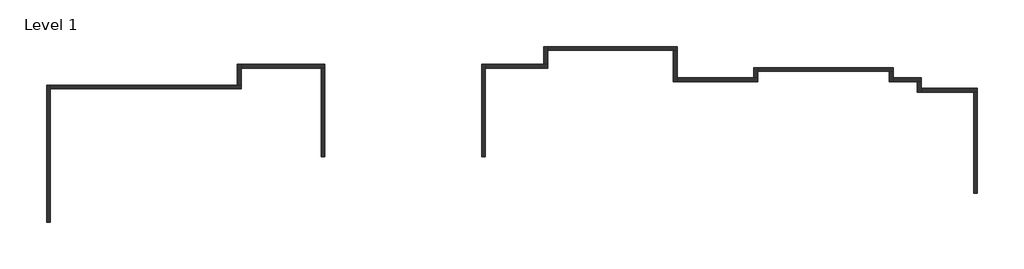
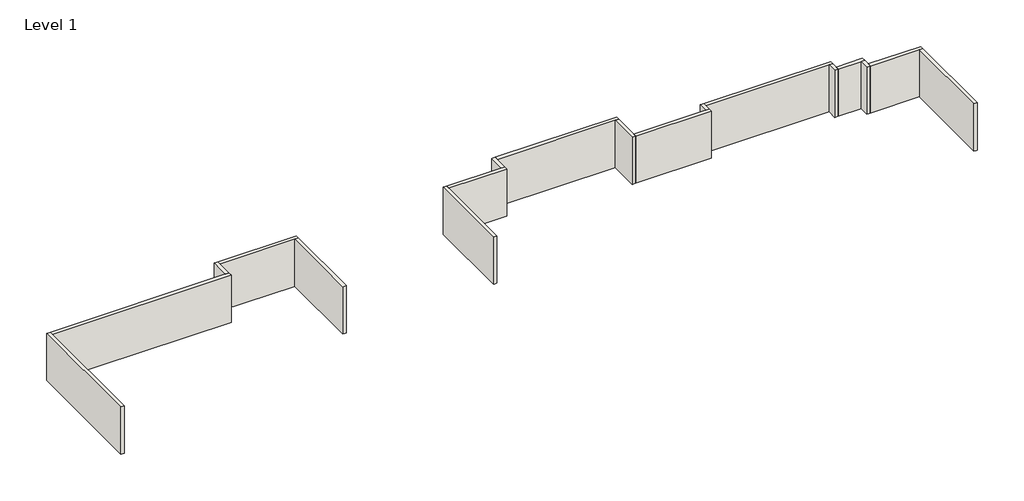
# One storey: 18 walls.
"""IFC4 building model written with IfcOpenShell, lengths in millimetres."""

from ifc_helpers import new_model, si_unit, frame, origin, place, context, project, spatial, polyline, outline, extrude, faceted_brep, element, save

model = new_model("IFC4")

# Units and contexts
model_context = context("Model", 3, world=origin())
ifc_project = project(units=[si_unit("LENGTHUNIT", "METRE", prefix="MILLI")], contexts=[model_context])

# Site, building, storey
site = spatial("IfcSite", under=ifc_project)
building = spatial("IfcBuilding", under=site)
storey = spatial("IfcBuildingStorey", under=building, Name="Level 1", Elevation=0.0)

# Walls
placement = place(None, origin())
element("IfcWall", 1, ObjectType="Ext- Wd Stud 2x6 (Brick Veneer /gyp)", at=placement, inside=storey, context=model_context, shape_type="Brep", body=[
    faceted_brep([(-36170.4285406, 11623.5243667, 0.0), (-36170.4285406, 20788.1618667, 0.0), (-36170.4285406, 21045.3368667, 0.0), (-36170.4285406, 21045.3368667, 3657.6), (-36170.4285406, 20788.1618667, 3657.6), (-36170.4285406, 11623.5243667, 3657.6), (-36427.6035406, 11623.5243667, 0.0), (-36427.6035406, 11623.5243667, 3657.6), (-36427.6035406, 21045.3368667, 3657.6), (-36427.6035406, 21045.3368667, 0.0), (-36326.0035406, 11623.5243667, 0.0), (-36326.0035406, 21045.3368667, 0.0)], [[[0, 1, 2, 3, 4, 5]], [[6, 7, 8, 9]], [[5, 4, 3, 8, 7]], [[0, 5, 7, 6, 10]], [[2, 1, 0, 10, 11]], [[10, 6, 9, 11]], [[3, 2, 11, 9, 8]]]),
])
element("IfcWall", 2, ObjectType="Ext- Wd Stud 2x6 (Brick Veneer /gyp)", at=placement, inside=storey, context=model_context, shape_type="Brep", body=[
    faceted_brep([(-36170.4285406, 20788.1618667, 0.0), (-23064.0285406, 20788.1618667, 0.0), (-23064.0285406, 20788.1618667, 3657.6), (-36170.4285406, 20788.1618667, 3657.6), (-36170.4285406, 21045.3368667, 0.0), (-36170.4285406, 21045.3368667, 3657.6), (-23321.2035406, 21045.3368667, 3657.6), (-23064.0285406, 21045.3368667, 3657.6), (-23064.0285406, 21045.3368667, 0.0), (-23321.2035406, 21045.3368667, 0.0), (-36170.4285406, 20943.7368667, 0.0), (-23064.0285406, 20943.7368667, 0.0)], [[[0, 1, 2, 3]], [[4, 5, 6, 7, 8, 9]], [[3, 2, 7, 6, 5]], [[1, 0, 10, 11]], [[0, 3, 5, 4, 10]], [[10, 4, 9, 8, 11]], [[2, 1, 11, 8, 7]]]),
])
element("IfcWall", 3, ObjectType="Ext- Wd Stud 2x6 (Brick Veneer /gyp)", at=placement, inside=storey, context=model_context, shape_type="Brep", body=[
    faceted_brep([(-23064.0285406, 21045.3368667, 0.0), (-23064.0285406, 22210.5618667, 0.0), (-23064.0285406, 22467.7368667, 0.0), (-23064.0285406, 22467.7368667, 3657.6), (-23064.0285406, 22210.5618667, 3657.6), (-23064.0285406, 21045.3368667, 3657.6), (-23321.2035406, 21045.3368667, 0.0), (-23321.2035406, 21045.3368667, 3657.6), (-23321.2035406, 22467.7368667, 3657.6), (-23321.2035406, 22467.7368667, 0.0), (-23219.6035406, 21045.3368667, 0.0), (-23219.6035406, 22467.7368667, 0.0)], [[[0, 1, 2, 3, 4, 5]], [[6, 7, 8, 9]], [[5, 4, 3, 8, 7]], [[2, 1, 0, 10, 11]], [[0, 5, 7, 6, 10]], [[10, 6, 9, 11]], [[3, 2, 11, 9, 8]]]),
])
element("IfcWall", 4, ObjectType="Ext- Wd Stud 2x6 (Brick Veneer /gyp)", at=placement, inside=storey, context=model_context, shape_type="Brep", body=[
    faceted_brep([(-23064.0285406, 22210.5618667, 0.0), (-17583.9785406, 22210.5618667, 0.0), (-17326.8035406, 22210.5618667, 0.0), (-17326.8035406, 22210.5618667, 3657.6), (-17583.9785406, 22210.5618667, 3657.6), (-23064.0285406, 22210.5618667, 3657.6), (-23064.0285406, 22467.7368667, 0.0), (-23064.0285406, 22467.7368667, 3657.6), (-17326.8035406, 22467.7368667, 3657.6), (-17326.8035406, 22467.7368667, 0.0), (-23064.0285406, 22366.1368667, 0.0), (-17326.8035406, 22366.1368667, 0.0)], [[[0, 1, 2, 3, 4, 5]], [[6, 7, 8, 9]], [[5, 4, 3, 8, 7]], [[2, 1, 0, 10, 11]], [[0, 5, 7, 6, 10]], [[10, 6, 9, 11]], [[3, 2, 11, 9, 8]]]),
])
element("IfcWall", 5, ObjectType="Ext- Wd Stud 2x6 (Brick Veneer /gyp)", at=placement, inside=storey, context=model_context, shape_type="SweptSolid", body=[
    extrude(outline(polyline([(3657.6, -17583.9785406), (0.0, -17583.9785406), (0.0, -17428.4035406), (0.0, -17326.8035406), (3657.6, -17326.8035406), (3657.6, -17583.9785406)])), frame((0.0, 16116.1493667, 0.0), z_axis=(0.0, 1.0, 0.0), x_axis=(0.0, 0.0, 1.0)), (0.0, 0.0, 1.0), 6094.4125),
])
element("IfcWall", 6, ObjectType="Ext- Wd Stud 2x6 (Brick Veneer /gyp)", at=placement, inside=storey, context=model_context, shape_type="Brep", body=[
    faceted_brep([(-6300.0004447, 16116.1493667, 0.0), (-6300.0004447, 22210.5618667, 0.0), (-6300.0004447, 22467.7368667, 0.0), (-6300.0004447, 22467.7368667, 3657.6), (-6300.0004447, 22210.5618667, 3657.6), (-6300.0004447, 16116.1493667, 3657.6), (-6557.1754447, 16116.1493667, 0.0), (-6557.1754447, 16116.1493667, 3657.6), (-6557.1754447, 22467.7368667, 3657.6), (-6557.1754447, 22467.7368667, 0.0), (-6455.5754447, 16116.1493667, 0.0), (-6455.5754447, 22467.7368667, 0.0)], [[[0, 1, 2, 3, 4, 5]], [[6, 7, 8, 9]], [[5, 4, 3, 8, 7]], [[0, 5, 7, 6, 10]], [[2, 1, 0, 10, 11]], [[10, 6, 9, 11]], [[3, 2, 11, 9, 8]]]),
])
element("IfcWall", 7, ObjectType="Ext- Wd Stud 2x6 (Brick Veneer /gyp)", at=placement, inside=storey, context=model_context, shape_type="Brep", body=[
    faceted_brep([(-6300.0004447, 22210.5618667, 0.0), (-2032.7764591, 22210.5618667, 0.0), (-2032.7764591, 22210.5618667, 3657.6), (-6300.0004447, 22210.5618667, 3657.6), (-6300.0004447, 22467.7368667, 0.0), (-6300.0004447, 22467.7368667, 3657.6), (-2289.9514591, 22467.7368667, 3657.6), (-2032.7764591, 22467.7368667, 3657.6), (-2032.7764591, 22467.7368667, 0.0), (-2289.9514591, 22467.7368667, 0.0), (-6300.0004447, 22366.1368667, 0.0), (-2032.7764591, 22366.1368667, 0.0)], [[[0, 1, 2, 3]], [[4, 5, 6, 7, 8, 9]], [[3, 2, 7, 6, 5]], [[1, 0, 10, 11]], [[0, 3, 5, 4, 10]], [[10, 4, 9, 8, 11]], [[2, 1, 11, 8, 7]]]),
])
element("IfcWall", 8, ObjectType="Ext- Wd Stud 2x6 (Brick Veneer /gyp)", at=placement, inside=storey, context=model_context, shape_type="Brep", body=[
    faceted_brep([(-2032.7764591, 22467.7368667, 0.0), (-2032.7764591, 23429.7618667, 0.0), (-2032.7764591, 23686.9368667, 0.0), (-2032.7764591, 23686.9368667, 3657.6), (-2032.7764591, 23429.7618667, 3657.6), (-2032.7764591, 22467.7368667, 3657.6), (-2289.9514591, 22467.7368667, 0.0), (-2289.9514591, 22467.7368667, 3657.6), (-2289.9514591, 23686.9368667, 3657.6), (-2289.9514591, 23686.9368667, 0.0), (-2188.3514591, 22467.7368667, 0.0), (-2188.3514591, 23686.9368667, 0.0)], [[[0, 1, 2, 3, 4, 5]], [[6, 7, 8, 9]], [[5, 4, 3, 8, 7]], [[2, 1, 0, 10, 11]], [[0, 5, 7, 6, 10]], [[10, 6, 9, 11]], [[3, 2, 11, 9, 8]]]),
])
element("IfcWall", 9, ObjectType="Ext- Wd Stud 2x6 (Brick Veneer /gyp)", at=placement, inside=storey, context=model_context, shape_type="Brep", body=[
    faceted_brep([(-2032.7764591, 23429.7618667, 0.0), (6596.8735409, 23429.7618667, 0.0), (6854.0485409, 23429.7618667, 0.0), (6854.0485409, 23429.7618667, 3657.6), (6596.8735409, 23429.7618667, 3657.6), (-2032.7764591, 23429.7618667, 3657.6), (-2032.7764591, 23686.9368667, 0.0), (-2032.7764591, 23686.9368667, 3657.6), (6854.0485409, 23686.9368667, 3657.6), (6854.0485409, 23686.9368667, 0.0), (-2032.7764591, 23585.3368667, 0.0), (6854.0485409, 23585.3368667, 0.0)], [[[0, 1, 2, 3, 4, 5]], [[6, 7, 8, 9]], [[5, 4, 3, 8, 7]], [[2, 1, 0, 10, 11]], [[0, 5, 7, 6, 10]], [[10, 6, 9, 11]], [[3, 2, 11, 9, 8]]]),
])
element("IfcWall", 10, ObjectType="Ext- Wd Stud 2x6 (Brick Veneer /gyp)", at=placement, inside=storey, context=model_context, shape_type="Brep", body=[
    faceted_brep([(6596.8735409, 23429.7618667, 0.0), (6596.8735409, 21270.7618667, 0.0), (6596.8735409, 21270.7618667, 3657.6), (6596.8735409, 23429.7618667, 3657.6), (6854.0485409, 23429.7618667, 0.0), (6854.0485409, 23429.7618667, 3657.6), (6854.0485409, 21527.9368667, 3657.6), (6854.0485409, 21270.7618667, 3657.6), (6854.0485409, 21270.7618667, 0.0), (6854.0485409, 21527.9368667, 0.0), (6752.4485409, 23429.7618667, 0.0), (6752.4485409, 21270.7618667, 0.0)], [[[0, 1, 2, 3]], [[4, 5, 6, 7, 8, 9]], [[3, 2, 7, 6, 5]], [[1, 0, 10, 11]], [[0, 3, 5, 4, 10]], [[10, 4, 9, 8, 11]], [[2, 1, 11, 8, 7]]]),
])
element("IfcWall", 11, ObjectType="Ext- Wd Stud 2x6 (Brick Veneer /gyp)", at=placement, inside=storey, context=model_context, shape_type="Brep", body=[
    faceted_brep([(6854.0485409, 21270.7618667, 0.0), (12394.3714594, 21270.7618667, 0.0), (12394.3714594, 21270.7618667, 3657.6), (6854.0485409, 21270.7618667, 3657.6), (6854.0485409, 21527.9368667, 0.0), (6854.0485409, 21527.9368667, 3657.6), (12137.1964594, 21527.9368667, 3657.6), (12394.3714594, 21527.9368667, 3657.6), (12394.3714594, 21527.9368667, 0.0), (12137.1964594, 21527.9368667, 0.0), (6854.0485409, 21426.3368667, 0.0), (12394.3714594, 21426.3368667, 0.0)], [[[0, 1, 2, 3]], [[4, 5, 6, 7, 8, 9]], [[3, 2, 7, 6, 5]], [[1, 0, 10, 11]], [[0, 3, 5, 4, 10]], [[10, 4, 9, 8, 11]], [[2, 1, 11, 8, 7]]]),
])
element("IfcWall", 12, ObjectType="Ext- Wd Stud 2x6 (Brick Veneer /gyp)", at=placement, inside=storey, context=model_context, shape_type="Brep", body=[
    faceted_brep([(12394.3714594, 21527.9368667, 0.0), (12394.3714594, 21981.9618667, 0.0), (12394.3714594, 22239.1368667, 0.0), (12394.3714594, 22239.1368667, 3657.6), (12394.3714594, 21981.9618667, 3657.6), (12394.3714594, 21527.9368667, 3657.6), (12137.1964594, 21527.9368667, 0.0), (12137.1964594, 21527.9368667, 3657.6), (12137.1964594, 22239.1368667, 3657.6), (12137.1964594, 22239.1368667, 0.0), (12238.7964594, 21527.9368667, 0.0), (12238.7964594, 22239.1368667, 0.0)], [[[0, 1, 2, 3, 4, 5]], [[6, 7, 8, 9]], [[5, 4, 3, 8, 7]], [[2, 1, 0, 10, 11]], [[0, 5, 7, 6, 10]], [[10, 6, 9, 11]], [[3, 2, 11, 9, 8]]]),
])
element("IfcWall", 13, ObjectType="Ext- Wd Stud 2x6 (Brick Veneer /gyp)", at=placement, inside=storey, context=model_context, shape_type="Brep", body=[
    faceted_brep([(12394.3714594, 21981.9618667, 0.0), (21430.4214594, 21981.9618667, 0.0), (21687.5964594, 21981.9618667, 0.0), (21687.5964594, 21981.9618667, 3657.6), (21430.4214594, 21981.9618667, 3657.6), (12394.3714594, 21981.9618667, 3657.6), (12394.3714594, 22239.1368667, 0.0), (12394.3714594, 22239.1368667, 3657.6), (21687.5964594, 22239.1368667, 3657.6), (21687.5964594, 22239.1368667, 0.0), (12394.3714594, 22137.5368667, 0.0), (21687.5964594, 22137.5368667, 0.0)], [[[0, 1, 2, 3, 4, 5]], [[6, 7, 8, 9]], [[5, 4, 3, 8, 7]], [[2, 1, 0, 10, 11]], [[0, 5, 7, 6, 10]], [[10, 6, 9, 11]], [[3, 2, 11, 9, 8]]]),
])
element("IfcWall", 14, ObjectType="Ext- Wd Stud 2x6 (Brick Veneer /gyp)", at=placement, inside=storey, context=model_context, shape_type="Brep", body=[
    faceted_brep([(21430.4214594, 21981.9618667, 0.0), (21430.4214594, 21270.7618667, 0.0), (21430.4214594, 21270.7618667, 3657.6), (21430.4214594, 21981.9618667, 3657.6), (21687.5964594, 21981.9618667, 0.0), (21687.5964594, 21981.9618667, 3657.6), (21687.5964594, 21527.9368667, 3657.6), (21687.5964594, 21270.7618667, 3657.6), (21687.5964594, 21270.7618667, 0.0), (21687.5964594, 21527.9368667, 0.0), (21585.9964594, 21981.9618667, 0.0), (21585.9964594, 21270.7618667, 0.0)], [[[0, 1, 2, 3]], [[4, 5, 6, 7, 8, 9]], [[3, 2, 7, 6, 5]], [[1, 0, 10, 11]], [[0, 3, 5, 4, 10]], [[10, 4, 9, 8, 11]], [[2, 1, 11, 8, 7]]]),
])
element("IfcWall", 15, ObjectType="Ext- Wd Stud 2x6 (Brick Veneer /gyp)", at=placement, inside=storey, context=model_context, shape_type="Brep", body=[
    faceted_brep([(21687.5964594, 21270.7618667, 0.0), (23360.8214594, 21270.7618667, 0.0), (23617.9964594, 21270.7618667, 0.0), (23617.9964594, 21270.7618667, 3657.6), (23360.8214594, 21270.7618667, 3657.6), (21687.5964594, 21270.7618667, 3657.6), (21687.5964594, 21527.9368667, 0.0), (21687.5964594, 21527.9368667, 3657.6), (23617.9964594, 21527.9368667, 3657.6), (23617.9964594, 21527.9368667, 0.0), (21687.5964594, 21426.3368667, 0.0), (23617.9964594, 21426.3368667, 0.0)], [[[0, 1, 2, 3, 4, 5]], [[6, 7, 8, 9]], [[5, 4, 3, 8, 7]], [[2, 1, 0, 10, 11]], [[0, 5, 7, 6, 10]], [[10, 6, 9, 11]], [[3, 2, 11, 9, 8]]]),
])
element("IfcWall", 16, ObjectType="Ext- Wd Stud 2x6 (Brick Veneer /gyp)", at=placement, inside=storey, context=model_context, shape_type="Brep", body=[
    faceted_brep([(23360.8214594, 21270.7618667, 0.0), (23360.8214594, 20559.5618667, 0.0), (23360.8214594, 20559.5618667, 3657.6), (23360.8214594, 21270.7618667, 3657.6), (23617.9964594, 21270.7618667, 0.0), (23617.9964594, 21270.7618667, 3657.6), (23617.9964594, 20816.7368667, 3657.6), (23617.9964594, 20559.5618667, 3657.6), (23617.9964594, 20559.5618667, 0.0), (23617.9964594, 20816.7368667, 0.0), (23516.3964594, 21270.7618667, 0.0), (23516.3964594, 20559.5618667, 0.0)], [[[0, 1, 2, 3]], [[4, 5, 6, 7, 8, 9]], [[3, 2, 7, 6, 5]], [[1, 0, 10, 11]], [[0, 3, 5, 4, 10]], [[10, 4, 9, 8, 11]], [[2, 1, 11, 8, 7]]]),
])
element("IfcWall", 17, ObjectType="Ext- Wd Stud 2x6 (Brick Veneer /gyp)", at=placement, inside=storey, context=model_context, shape_type="Brep", body=[
    faceted_brep([(23617.9964594, 20559.5618667, 0.0), (27221.5800194, 20559.5618667, 0.0), (27478.7550194, 20559.5618667, 0.0), (27478.7550194, 20559.5618667, 3657.6), (27221.5800194, 20559.5618667, 3657.6), (23617.9964594, 20559.5618667, 3657.6), (23617.9964594, 20816.7368667, 0.0), (23617.9964594, 20816.7368667, 3657.6), (27478.7550194, 20816.7368667, 3657.6), (27478.7550194, 20816.7368667, 0.0), (23617.9964594, 20715.1368667, 0.0), (27478.7550194, 20715.1368667, 0.0)], [[[0, 1, 2, 3, 4, 5]], [[6, 7, 8, 9]], [[5, 4, 3, 8, 7]], [[2, 1, 0, 10, 11]], [[0, 5, 7, 6, 10]], [[10, 6, 9, 11]], [[3, 2, 11, 9, 8]]]),
])
element("IfcWall", 18, ObjectType="Ext- Wd Stud 2x6 (Brick Veneer /gyp)", at=placement, inside=storey, context=model_context, shape_type="SweptSolid", body=[
    extrude(outline(polyline([(3657.6, 27221.5800194), (0.0, 27221.5800194), (0.0, 27377.1550194), (0.0, 27478.7550194), (3657.6, 27478.7550194), (3657.6, 27221.5800194)])), frame((0.0, 13630.1243667, 0.0), z_axis=(0.0, 1.0, 0.0), x_axis=(0.0, 0.0, 1.0)), (0.0, 0.0, 1.0), 6929.4375),
])

save(model, "model.ifc")
